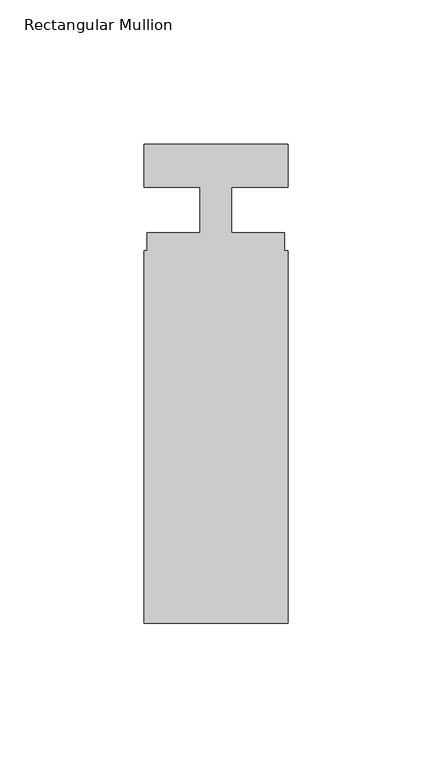
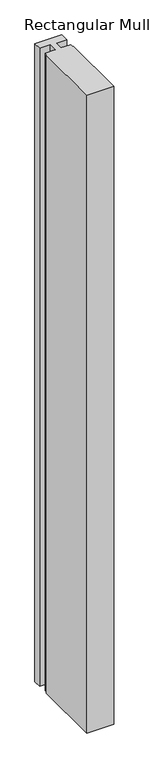
"""IFC4 building model written with IfcOpenShell, lengths in millimetres: member geometry, Rectangular Mullion."""

from ifc_helpers import new_model, si_unit, frame, origin, place, context, project, spatial, polyline, outline, extrude, source, transform, mapped, element, save


def rectangular_mullion_1f44c3c9(model_context):
    return source(origin(), model_context, "Body", "SweptSolid", [
        extrude(outline(polyline([(-50.0, -140.3), (-50.0, -11.0), (-48.9, -11.0), (-48.9, -4.8), (-30.5, -4.8), (-30.5, 11.0), (-50.0, 11.0), (-50.0, 26.0), (0.0, 26.0), (0.0, 11.0), (-19.5000002, 11.0), (-19.5000002, -4.8), (-1.1, -4.8), (-1.1, -11.0), (0.0, -11.0), (0.0, -140.3), (-50.0, -140.3)])), frame((0.0, 0.0, -1250.0), z_axis=(0.0, 0.0, 1.0), x_axis=(1.0, 0.0, 0.0)), (0.0, 0.0, 1.0), 1250.0),
    ])


if __name__ == "__main__":
    model = new_model("IFC4")
    model_context = context("Model", 3, world=origin())
    ifc_project = project(units=[si_unit("LENGTHUNIT", "METRE", prefix="MILLI")], contexts=[model_context])
    site = spatial("IfcSite", under=ifc_project)
    building = spatial("IfcBuilding", under=site)
    placement = place(None, origin())
    rectangular_mullion_shape = rectangular_mullion_1f44c3c9(model_context)
    element("IfcMember", 1, ObjectType="Rectangular Mullion", at=placement, inside=building, context=model_context, shape_type="MappedRepresentation", body=[
        mapped(rectangular_mullion_shape, transform((0.0, 0.0, 0.0), x_axis=(1.0, 0.0, 0.0), y_axis=(0.0, 1.0, 0.0), z_axis=(0.0, 0.0, 1.0))),
    ])
    save(model, "model.ifc")
